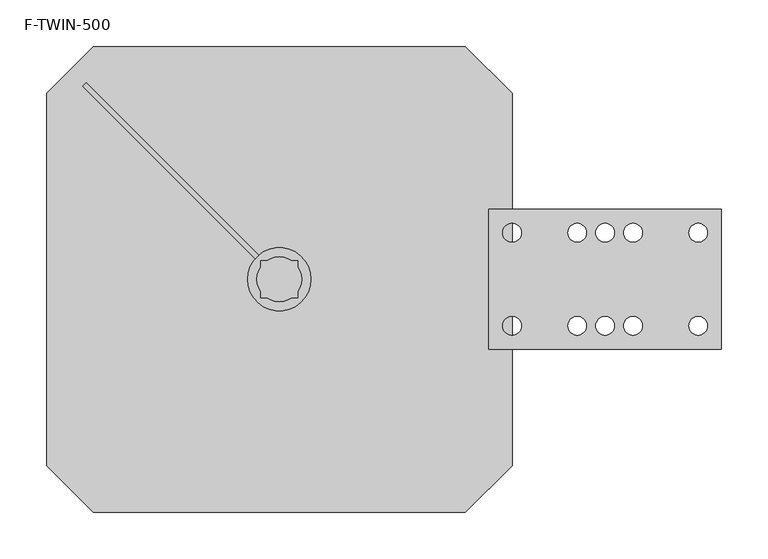
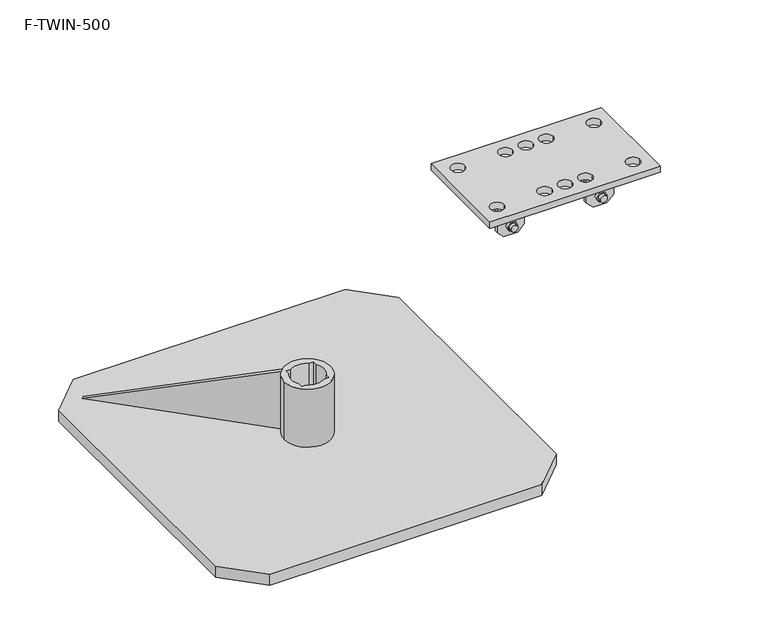
"""IFC4 building model written with IfcOpenShell, lengths in millimetres: beam geometry, F-TWIN-500."""

from ifc_helpers import new_model, si_unit, point, frame, frame_2d, origin, origin_with_axes, origin_2d, place, context, project, spatial, polyline, circle_curve, trimmed, segment, composite_curve, outline, extrude, source, transform, mapped, element, save


def f_twin_500_b7603743(model_context):
    return source(origin(), model_context, "Body", "SweptSolid", [
        extrude(outline(polyline([(0.0, 0.0), (-247.7880551, -85.1180342), (-277.0270745, 0.0), (0.0, 0.0)])), frame((-211.0713742, 207.5358403, 17.0), z_axis=(0.7071067811865491, 0.7071067811865459, 0.0), x_axis=(-0.6687504353591679, 0.6687504353591709, -0.32487799312025273)), (0.0, 0.0, 1.0), 5.0),
        extrude(outline(composite_curve([segment(trimmed(circle_curve(origin_2d(), 34.0), [point((-34.0, 0.0))], [point((34.0, 0.0))], False, "CARTESIAN"), True, "CONTINUOUS"), segment(trimmed(circle_curve(origin_2d(), 34.0), [point((34.0, 0.0))], [point((-34.0, 0.0))], False, "CARTESIAN"), True, "CONTINUOUS")], self_intersect=False), holes=[composite_curve([segment(polyline([(-13.2664992, 20.0), (-20.0, 20.0), (-20.0, 13.2664992)]), True, "CONTINUOUS"), segment(trimmed(circle_curve(origin_2d(), 24.0), [point((-20.0, 13.2664992))], [point((-20.0, -13.2664992))], True, "CARTESIAN"), True, "CONTINUOUS"), segment(polyline([(-20.0, -13.2664992), (-20.0, -20.0), (-13.2664992, -20.0)]), True, "CONTINUOUS"), segment(trimmed(circle_curve(origin_2d(), 24.0), [point((-13.2664992, -20.0))], [point((13.2664992, -20.0))], True, "CARTESIAN"), True, "CONTINUOUS"), segment(polyline([(13.2664992, -20.0), (20.0, -20.0), (20.0, -13.2664992)]), True, "CONTINUOUS"), segment(trimmed(circle_curve(origin_2d(), 24.0), [point((20.0, -13.2664992))], [point((20.0, 13.2664992))], True, "CARTESIAN"), True, "CONTINUOUS"), segment(polyline([(20.0, 13.2664992), (20.0, 20.0), (13.2664992, 20.0)]), True, "CONTINUOUS"), segment(trimmed(circle_curve(origin_2d(), 24.0), [point((13.2664992, 20.0))], [point((-13.2664992, 20.0))], True, "CARTESIAN"), True, "CONTINUOUS")], self_intersect=False)]), frame((0.0, 0.0, 17.0), z_axis=(0.0, 0.0, 1.0), x_axis=(1.0, 0.0, 0.0)), (0.0, 0.0, 1.0), 90.0),
        extrude(outline(polyline([(200.0, 250.0), (250.0, 200.0), (250.0, -200.0), (200.0, -250.0), (-200.0, -250.0), (-250.0, -200.0), (-250.0, 200.0), (-200.0, 250.0), (200.0, 250.0)])), origin_with_axes(), (0.0, 0.0, 1.0), 17.0),
        extrude(outline(polyline([(254.3463319, 291.8257687), (261.1436403, 288.6561317), (261.7973084, 281.1846715), (255.6536681, 276.8828482), (248.8563597, 280.0524852), (248.2026916, 287.5239454), (254.3463319, 291.8257687)])), frame((0.0, 25.0, 0.0), z_axis=(0.0, 1.0, 0.0), x_axis=(0.0, 0.0, 1.0)), (0.0, 0.0, 1.0), 5.0),
        extrude(outline(polyline([(261.7973084, 412.4760546), (255.6536681, 408.1742313), (248.8563597, 411.3438683), (248.2026916, 418.8153285), (254.3463319, 423.1171518), (261.1436403, 419.9475148), (261.7973084, 412.4760546)])), frame((0.0, 25.0, 0.0), z_axis=(0.0, 1.0, 0.0), x_axis=(0.0, 0.0, 1.0)), (0.0, 0.0, 1.0), 5.0),
        extrude(outline(polyline([(261.7973084, 281.1846715), (255.6536681, 276.8828482), (248.8563597, 280.0524852), (248.2026916, 287.5239454), (254.3463319, 291.8257687), (261.1436403, 288.6561317), (261.7973084, 281.1846715)]), holes=[composite_curve([segment(trimmed(circle_curve(frame_2d((255.0, 284.3543085)), 5.0), [point((255.0, 279.3543085))], [point((255.0, 289.3543085))], True, "CARTESIAN"), True, "CONTINUOUS"), segment(trimmed(circle_curve(frame_2d((255.0, 284.3543085)), 5.0), [point((255.0, 289.3543085))], [point((255.0, 279.3543085))], True, "CARTESIAN"), True, "CONTINUOUS")], self_intersect=False)]), frame((0.0, -30.0, 0.0), z_axis=(0.0, 1.0, 0.0), x_axis=(0.0, 0.0, 1.0)), (0.0, 0.0, 1.0), 5.0),
        extrude(outline(polyline([(261.7973084, 412.4760546), (255.6536681, 408.1742313), (248.8563597, 411.3438683), (248.2026916, 418.8153285), (254.3463319, 423.1171518), (261.1436403, 419.9475148), (261.7973084, 412.4760546)]), holes=[composite_curve([segment(trimmed(circle_curve(frame_2d((255.0, 415.6456915)), 5.0), [point((255.0, 410.6456915))], [point((255.0, 420.6456915))], True, "CARTESIAN"), True, "CONTINUOUS"), segment(trimmed(circle_curve(frame_2d((255.0, 415.6456915)), 5.0), [point((255.0, 420.6456915))], [point((255.0, 410.6456915))], True, "CARTESIAN"), True, "CONTINUOUS")], self_intersect=False)]), frame((0.0, -30.0, 0.0), z_axis=(0.0, 1.0, 0.0), x_axis=(0.0, 0.0, 1.0)), (0.0, 0.0, 1.0), 5.0),
        extrude(outline(composite_curve([segment(trimmed(circle_curve(frame_2d((255.0, 284.3543085)), 5.0), [point((255.0, 289.3543085))], [point((255.0, 279.3543085))], False, "CARTESIAN"), True, "CONTINUOUS"), segment(trimmed(circle_curve(frame_2d((255.0, 284.3543085)), 5.0), [point((255.0, 279.3543085))], [point((255.0, 289.3543085))], False, "CARTESIAN"), True, "CONTINUOUS")], self_intersect=False)), frame((0.0, -35.1609636, 0.0), z_axis=(0.0, 1.0, 0.0), x_axis=(0.0, 0.0, 1.0)), (0.0, 0.0, 1.0), 69.4002716),
        extrude(outline(composite_curve([segment(trimmed(circle_curve(frame_2d((255.0, 415.6456915)), 5.0), [point((255.0, 420.6456915))], [point((255.0, 410.6456915))], False, "CARTESIAN"), True, "CONTINUOUS"), segment(trimmed(circle_curve(frame_2d((255.0, 415.6456915)), 5.0), [point((255.0, 410.6456915))], [point((255.0, 420.6456915))], False, "CARTESIAN"), True, "CONTINUOUS")], self_intersect=False)), frame((0.0, -35.1609636, 0.0), z_axis=(0.0, 1.0, 0.0), x_axis=(0.0, 0.0, 1.0)), (0.0, 0.0, 1.0), 69.4002716),
        extrude(outline(polyline([(300.0, 395.6456915), (250.0, 395.6456915), (240.0, 405.6456915), (240.0, 425.6456915), (250.0, 435.6456915), (300.0, 435.6456915), (300.0, 395.6456915)]), holes=[composite_curve([segment(trimmed(circle_curve(frame_2d((255.0, 415.6456915)), 5.0), [point((255.0, 420.6456915))], [point((255.0, 410.6456915))], True, "CARTESIAN"), True, "CONTINUOUS"), segment(trimmed(circle_curve(frame_2d((255.0, 415.6456915)), 5.0), [point((255.0, 410.6456915))], [point((255.0, 420.6456915))], True, "CARTESIAN"), True, "CONTINUOUS")], self_intersect=False)]), frame((0.0, 20.0, 0.0), z_axis=(0.0, 1.0, 0.0), x_axis=(0.0, 0.0, 1.0)), (0.0, 0.0, 1.0), 5.0),
        extrude(outline(polyline([(300.0, 304.3543085), (300.0, 264.3543085), (250.0, 264.3543085), (240.0, 274.3543085), (240.0, 294.3543085), (250.0, 304.3543085), (300.0, 304.3543085)]), holes=[composite_curve([segment(trimmed(circle_curve(frame_2d((255.0, 284.3543085)), 5.0), [point((255.0, 279.3543085))], [point((255.0, 289.3543085))], True, "CARTESIAN"), True, "CONTINUOUS"), segment(trimmed(circle_curve(frame_2d((255.0, 284.3543085)), 5.0), [point((255.0, 289.3543085))], [point((255.0, 279.3543085))], True, "CARTESIAN"), True, "CONTINUOUS")], self_intersect=False)]), frame((0.0, 20.0, 0.0), z_axis=(0.0, 1.0, 0.0), x_axis=(0.0, 0.0, 1.0)), (0.0, 0.0, 1.0), 5.0),
        extrude(outline(polyline([(300.0, 395.6456915), (250.0, 395.6456915), (240.0, 405.6456915), (240.0, 425.6456915), (250.0, 435.6456915), (300.0, 435.6456915), (300.0, 395.6456915)]), holes=[composite_curve([segment(trimmed(circle_curve(frame_2d((255.0, 415.6456915)), 5.0), [point((255.0, 420.6456915))], [point((255.0, 410.6456915))], True, "CARTESIAN"), True, "CONTINUOUS"), segment(trimmed(circle_curve(frame_2d((255.0, 415.6456915)), 5.0), [point((255.0, 410.6456915))], [point((255.0, 420.6456915))], True, "CARTESIAN"), True, "CONTINUOUS")], self_intersect=False)]), frame((0.0, -25.0, 0.0), z_axis=(0.0, 1.0, 0.0), x_axis=(0.0, 0.0, 1.0)), (0.0, 0.0, 1.0), 5.0),
        extrude(outline(polyline([(300.0, 304.3543085), (300.0, 264.3543085), (250.0, 264.3543085), (240.0, 274.3543085), (240.0, 294.3543085), (250.0, 304.3543085), (300.0, 304.3543085)]), holes=[composite_curve([segment(trimmed(circle_curve(frame_2d((255.0, 284.3543085)), 5.0), [point((255.0, 279.3543085))], [point((255.0, 289.3543085))], True, "CARTESIAN"), True, "CONTINUOUS"), segment(trimmed(circle_curve(frame_2d((255.0, 284.3543085)), 5.0), [point((255.0, 289.3543085))], [point((255.0, 279.3543085))], True, "CARTESIAN"), True, "CONTINUOUS")], self_intersect=False)]), frame((0.0, -25.0, 0.0), z_axis=(0.0, 1.0, 0.0), x_axis=(0.0, 0.0, 1.0)), (0.0, 0.0, 1.0), 5.0),
        extrude(outline(polyline([(475.0, -75.0), (225.0, -75.0), (225.0, 75.0), (475.0, 75.0), (475.0, -75.0)]), holes=[composite_curve([segment(trimmed(circle_curve(frame_2d((250.0, 50.0)), 10.0), [point((240.0, 50.0))], [point((260.0, 50.0))], True, "CARTESIAN"), True, "CONTINUOUS"), segment(trimmed(circle_curve(frame_2d((250.0, 50.0)), 10.0), [point((260.0, 50.0))], [point((240.0, 50.0))], True, "CARTESIAN"), True, "CONTINUOUS")], self_intersect=False), composite_curve([segment(trimmed(circle_curve(frame_2d((350.0, 50.0)), 10.0), [point((340.0, 50.0))], [point((360.0, 50.0))], True, "CARTESIAN"), True, "CONTINUOUS"), segment(trimmed(circle_curve(frame_2d((350.0, 50.0)), 10.0), [point((360.0, 50.0))], [point((340.0, 50.0))], True, "CARTESIAN"), True, "CONTINUOUS")], self_intersect=False), composite_curve([segment(trimmed(circle_curve(frame_2d((320.0, 50.0)), 10.0), [point((310.0, 50.0))], [point((330.0, 50.0))], True, "CARTESIAN"), True, "CONTINUOUS"), segment(trimmed(circle_curve(frame_2d((320.0, 50.0)), 10.0), [point((330.0, 50.0))], [point((310.0, 50.0))], True, "CARTESIAN"), True, "CONTINUOUS")], self_intersect=False), composite_curve([segment(trimmed(circle_curve(frame_2d((450.0, 50.0)), 10.0), [point((460.0, 50.0))], [point((440.0, 50.0))], True, "CARTESIAN"), True, "CONTINUOUS"), segment(trimmed(circle_curve(frame_2d((450.0, 50.0)), 10.0), [point((440.0, 50.0))], [point((460.0, 50.0))], True, "CARTESIAN"), True, "CONTINUOUS")], self_intersect=False), composite_curve([segment(trimmed(circle_curve(frame_2d((380.0, 50.0)), 10.0), [point((390.0, 50.0))], [point((370.0, 50.0))], True, "CARTESIAN"), True, "CONTINUOUS"), segment(trimmed(circle_curve(frame_2d((380.0, 50.0)), 10.0), [point((370.0, 50.0))], [point((390.0, 50.0))], True, "CARTESIAN"), True, "CONTINUOUS")], self_intersect=False), composite_curve([segment(trimmed(circle_curve(frame_2d((250.0, -50.0)), 10.0), [point((240.0, -50.0))], [point((260.0, -50.0))], True, "CARTESIAN"), True, "CONTINUOUS"), segment(trimmed(circle_curve(frame_2d((250.0, -50.0)), 10.0), [point((260.0, -50.0))], [point((240.0, -50.0))], True, "CARTESIAN"), True, "CONTINUOUS")], self_intersect=False), composite_curve([segment(trimmed(circle_curve(frame_2d((350.0, -50.0)), 10.0), [point((340.0, -50.0))], [point((360.0, -50.0))], True, "CARTESIAN"), True, "CONTINUOUS"), segment(trimmed(circle_curve(frame_2d((350.0, -50.0)), 10.0), [point((360.0, -50.0))], [point((340.0, -50.0))], True, "CARTESIAN"), True, "CONTINUOUS")], self_intersect=False), composite_curve([segment(trimmed(circle_curve(frame_2d((320.0, -50.0)), 10.0), [point((310.0, -50.0))], [point((330.0, -50.0))], True, "CARTESIAN"), True, "CONTINUOUS"), segment(trimmed(circle_curve(frame_2d((320.0, -50.0)), 10.0), [point((330.0, -50.0))], [point((310.0, -50.0))], True, "CARTESIAN"), True, "CONTINUOUS")], self_intersect=False), composite_curve([segment(trimmed(circle_curve(frame_2d((450.0, -50.0)), 10.0), [point((460.0, -50.0))], [point((440.0, -50.0))], True, "CARTESIAN"), True, "CONTINUOUS"), segment(trimmed(circle_curve(frame_2d((450.0, -50.0)), 10.0), [point((440.0, -50.0))], [point((460.0, -50.0))], True, "CARTESIAN"), True, "CONTINUOUS")], self_intersect=False), composite_curve([segment(trimmed(circle_curve(frame_2d((380.0, -50.0)), 10.0), [point((390.0, -50.0))], [point((370.0, -50.0))], True, "CARTESIAN"), True, "CONTINUOUS"), segment(trimmed(circle_curve(frame_2d((380.0, -50.0)), 10.0), [point((370.0, -50.0))], [point((390.0, -50.0))], True, "CARTESIAN"), True, "CONTINUOUS")], self_intersect=False)]), frame((0.0, 0.0, 300.0), z_axis=(0.0, 0.0, 1.0), x_axis=(1.0, 0.0, 0.0)), (0.0, 0.0, 1.0), 10.0),
    ])


if __name__ == "__main__":
    model = new_model("IFC4")
    model_context = context("Model", 3, world=origin())
    ifc_project = project(units=[si_unit("LENGTHUNIT", "METRE", prefix="MILLI")], contexts=[model_context])
    site = spatial("IfcSite", under=ifc_project)
    building = spatial("IfcBuilding", under=site)
    placement = place(None, origin())
    f_twin_500_shape = f_twin_500_b7603743(model_context)
    element("IfcBeam", 1, ObjectType="F-TWIN-500", at=placement, inside=building, context=model_context, shape_type="MappedRepresentation", body=[
        mapped(f_twin_500_shape, transform((0.0, 0.0, 0.0), x_axis=(1.0, 0.0, 0.0), y_axis=(0.0, 1.0, 0.0), z_axis=(0.0, 0.0, 1.0))),
    ])
    save(model, "model.ifc")
